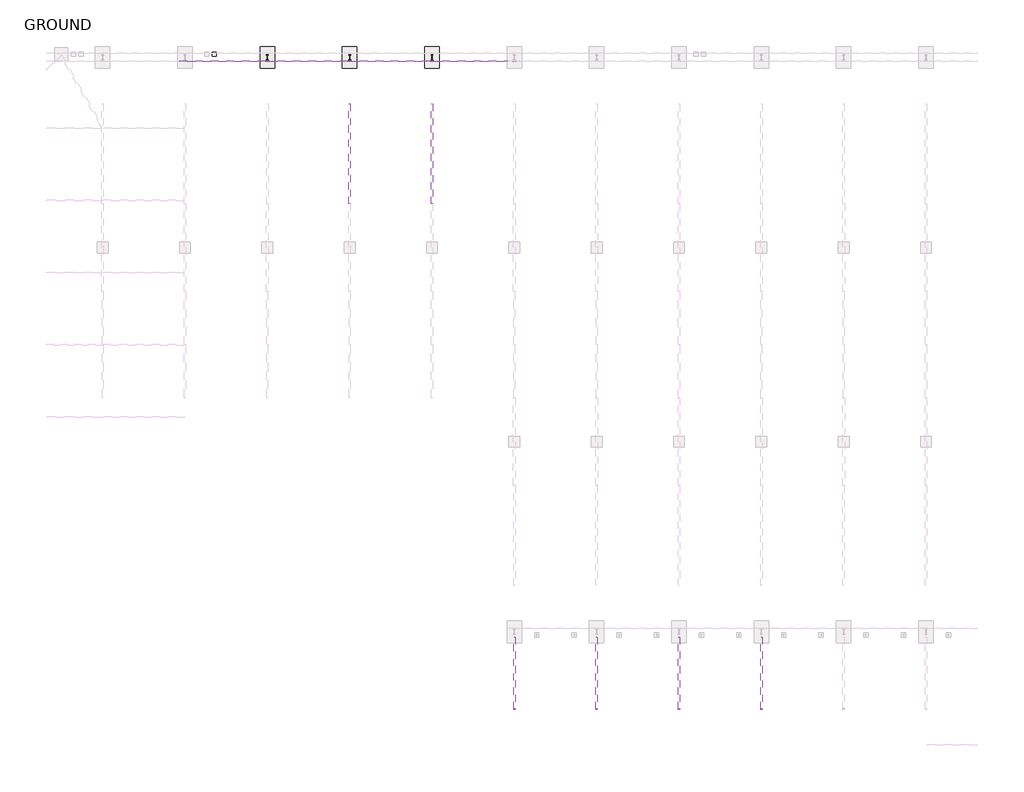
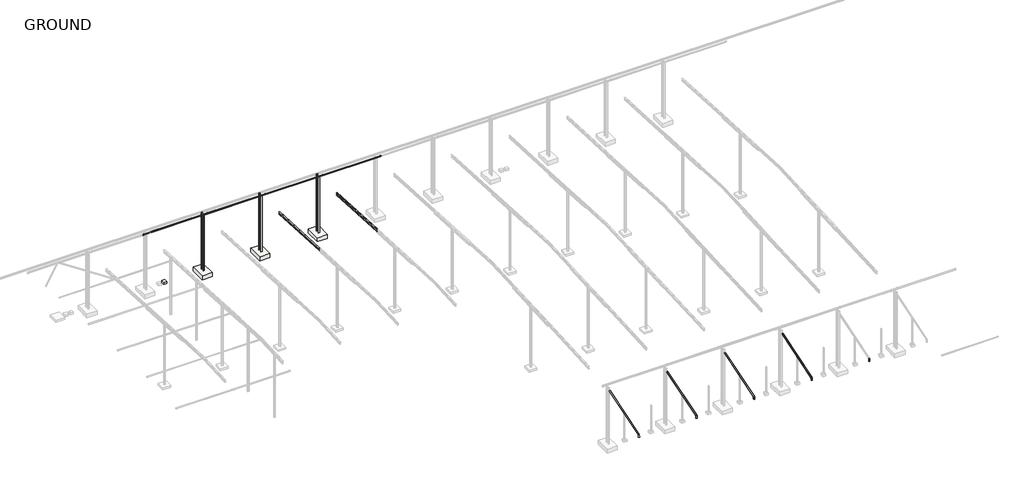
# One storey, part 45 of 56: 15 beams, 4 slabs, 3 columns.
"""IFC4 building model written with IfcOpenShell, lengths in millimetres."""

from ifc_helpers import new_model, si_unit, point, frame, frame_2d, origin, place, context, project, spatial, polyline, circle_curve, ellipse_curve, trimmed, segment, composite_curve, outline, extrude, element, save
from ifc_brep_helpers import plane_surface, cylinder_surface, revolved_surface, advanced_brep

model = new_model("IFC4")

# Units and contexts
model_context = context("Model", 3, world=origin())
ifc_project = project(units=[si_unit("LENGTHUNIT", "METRE", prefix="MILLI")], contexts=[model_context])

# Site, building, storey
site = spatial("IfcSite", under=ifc_project)
building = spatial("IfcBuilding", under=site)
storey = spatial("IfcBuildingStorey", under=building, Name="GROUND", Elevation=47100.0)

# Beams
placement = place(None, origin())
element("IfcBeam", 1, ObjectType="NRP_CHS-C350 : S3-219.1x4.8CHS", at=placement, inside=storey, context=model_context, shape_type="AdvancedBrep", body=[
    advanced_brep(
    [(-127335.8385398, 152915.5988651, 54476.8862012), (-127116.7385398, 152915.5988651, 54476.8862012), (-127121.5385398, 152915.5988651, 54476.8862012), (-127331.0385398, 152915.5988651, 54476.8862012), (-127116.7385398, 152941.7431014, 54975.7479475), (-127335.8385398, 152941.7431014, 54975.7479475), (-127331.0385398, 152941.7431014, 54975.7479475), (-127121.5385398, 152941.7431014, 54975.7479475)],
    [
        (0, 1, circle_curve(frame((-127226.2885398, 152915.5988651, 54476.8862012), z_axis=(0.0, -0.0523359562245365, -0.9986295347555386), x_axis=(1.0, 0.0, 0.0)), 109.55)),
        (1, 0, circle_curve(frame((-127226.2885398, 152915.5988651, 54476.8862012), z_axis=(0.0, -0.0523359562245365, -0.9986295347555386), x_axis=(1.0, 0.0, 0.0)), 109.55)),
        (2, 3, circle_curve(frame((-127226.2885398, 152915.5988651, 54476.8862012), z_axis=(0.0, 0.0523359562245365, 0.9986295347555386), x_axis=(1.0, 0.0, 0.0)), 104.75)),
        (3, 2, circle_curve(frame((-127226.2885398, 152915.5988651, 54476.8862012), z_axis=(0.0, 0.0523359562245365, 0.9986295347555386), x_axis=(1.0, 0.0, 0.0)), 104.75)),
        (4, 1),
        (0, 5),
        (5, 4, ellipse_curve(frame((-127226.2885398, 152941.7431014, 54975.7479475), z_axis=(0.0, -0.6124673197296547, -0.7904959090742805), x_axis=(0.0, -0.7904959090742806, 0.6124673197296544)), 133.3590394, 109.55)),
        (4, 5, ellipse_curve(frame((-127226.2885398, 152941.7431014, 54975.7479475), z_axis=(0.0, -0.6124673197296547, -0.7904959090742805), x_axis=(0.0, -0.7904959090742806, 0.6124673197296544)), 133.3590394, 109.55)),
        (6, 3),
        (2, 7),
        (7, 6, ellipse_curve(frame((-127226.2885398, 152941.7431014, 54975.7479475), z_axis=(0.0, 0.6124673197296547, 0.7904959090742805), x_axis=(0.0, 0.7904959090742806, -0.6124673197296544)), 127.5158319, 104.75)),
        (6, 7, ellipse_curve(frame((-127226.2885398, 152941.7431014, 54975.7479475), z_axis=(0.0, 0.6124673197296547, 0.7904959090742805), x_axis=(0.0, 0.7904959090742806, -0.6124673197296544)), 127.5158319, 104.75)),
    ],
    [
        plane_surface(frame((-127116.7385398, 152915.5988651, 54476.8862012), z_axis=(0.0, -0.05233595622454795, -0.998629534755538), x_axis=(0.0, 0.998629534755538, -0.05233595622454795))),
        cylinder_surface(frame((-127226.2885398, 152915.5988651, 54476.8862012), z_axis=(0.0, 0.0523359562245365, 0.9986295347555386), x_axis=(1.0, 0.0, 0.0)), 109.55),
        revolved_surface(polyline([(-127121.5385398, 152915.59886514224, 54476.88620119779), (-127121.5385398, 152945.5488017641, 55048.36503586935)]), (-127226.2885398, 152928.9110442, 54730.8977095), (0.0, -0.0523359562245365, -0.9986295347555386)),
        plane_surface(frame((-127226.2885398, 152836.3233263, 55057.4260009), z_axis=(0.0, 0.6124673197296547, 0.7904959090742805), x_axis=(1.0, 0.0, 0.0))),
    ],
    [
        (0, [[1, 2], [3, 4]]),
        (1, [[5, -1, 6, 7]]),
        (1, [[-6, -2, -5, 8]]),
        (2, [[9, -3, 10, 11]]),
        (2, [[-10, -4, -9, 12]]),
        (3, [[-8, -7], [-12, -11]]),
    ],
),
])
element("IfcBeam", 2, ObjectType="NRP_CHS-C350 : S3-219.1x4.8CHS", at=placement, inside=storey, context=model_context, shape_type="AdvancedBrep", body=[
    advanced_brep(
    [(-127116.7385398, 162797.5807081, 58076.429028), (-127116.7385398, 152941.7431014, 54975.7479475), (-127335.8385398, 152941.7431014, 54975.7479475), (-127335.8385398, 162797.5807081, 58076.429028), (-127331.0385398, 162797.5807081, 58076.429028), (-127331.0385398, 152941.7431014, 54975.7479475), (-127121.5385398, 152941.7431014, 54975.7479475), (-127121.5385398, 162797.5807081, 58076.429028)],
    [
        (0, 1),
        (1, 2, ellipse_curve(frame((-127226.2885398, 152941.7431014, 54975.7479475), z_axis=(0.0, 0.6124673197296547, 0.7904959090742805), x_axis=(0.0, 0.7904959090742801, -0.612467319729655)), 133.3590394, 109.55)),
        (2, 3),
        (3, 0, ellipse_curve(frame((-127226.2885398, 162797.5807081, 58076.429028), z_axis=(0.0, -0.9884095728960267, -0.15181079081374357), x_axis=(0.0, -0.1518107908137452, 0.9884095728960264)), 110.8346206, 109.55)),
        (2, 1, ellipse_curve(frame((-127226.2885398, 152941.7431014, 54975.7479475), z_axis=(0.0, 0.6124673197296547, 0.7904959090742805), x_axis=(0.0, 0.7904959090742801, -0.612467319729655)), 133.3590394, 109.55)),
        (0, 3, ellipse_curve(frame((-127226.2885398, 162797.5807081, 58076.429028), z_axis=(0.0, -0.9884095728960267, -0.15181079081374357), x_axis=(0.0, -0.1518107908137452, 0.9884095728960264)), 110.8346206, 109.55)),
        (4, 5),
        (5, 6, ellipse_curve(frame((-127226.2885398, 152941.7431014, 54975.7479475), z_axis=(0.0, -0.6124673197296547, -0.7904959090742805), x_axis=(0.0, -0.7904959090742801, 0.612467319729655)), 127.5158319, 104.75)),
        (6, 7),
        (7, 4, ellipse_curve(frame((-127226.2885398, 162797.5807081, 58076.429028), z_axis=(0.0, 0.9884095728960267, 0.15181079081374357), x_axis=(0.0, 0.1518107908137452, -0.9884095728960264)), 105.9783342, 104.75)),
        (6, 5, ellipse_curve(frame((-127226.2885398, 152941.7431014, 54975.7479475), z_axis=(0.0, -0.6124673197296547, -0.7904959090742805), x_axis=(0.0, -0.7904959090742801, 0.612467319729655)), 127.5158319, 104.75)),
        (4, 7, ellipse_curve(frame((-127226.2885398, 162797.5807081, 58076.429028), z_axis=(0.0, 0.9884095728960267, 0.15181079081374357), x_axis=(0.0, 0.1518107908137452, -0.9884095728960264)), 105.9783342, 104.75)),
    ],
    [
        cylinder_surface(frame((-127226.2885398, 152941.7785102, 54975.7590872), z_axis=(0.0, 0.9539069675784283, 0.3001024778393665), x_axis=(1.0, 0.0, 0.0)), 109.55),
        revolved_surface(polyline([(-127121.5385398, 152872.37809250652, 54953.92547239492), (-127121.5385398, 162812.92778793722, 58081.257273164934)]), (-127226.2885398, 157874.0595113, 56527.4719902), (0.0, -0.9539069675784283, -0.3001024778393665)),
        plane_surface(frame((-127226.2885398, 162780.7548167, 58185.979028), z_axis=(0.0, 0.9884095728960267, 0.15181079081374357), x_axis=(1.0, 0.0, 0.0))),
        plane_surface(frame((-127226.2885398, 152836.3233263, 55057.4260009), z_axis=(0.0, -0.6124673197296547, -0.7904959090742805), x_axis=(1.0, 0.0, 0.0))),
    ],
    [
        (0, [[1, 2, 3, 4]]),
        (0, [[-3, 5, -1, 6]]),
        (1, [[7, 8, 9, 10]]),
        (1, [[-9, 11, -7, 12]]),
        (2, [[-6, -4], [-12, -10]]),
        (3, [[-2, -5], [-8, -11]]),
    ],
),
])
element("IfcBeam", 3, ObjectType="NRP_CHS-C350 : S3-219.1x4.8CHS", at=placement, inside=storey, context=model_context, shape_type="AdvancedBrep", body=[
    advanced_brep(
    [(-116035.8385398, 152915.5988651, 54476.8862012), (-115816.7385398, 152915.5988651, 54476.8862012), (-115821.5385398, 152915.5988651, 54476.8862012), (-116031.0385398, 152915.5988651, 54476.8862012), (-115816.7385398, 152941.7431014, 54975.7479475), (-116035.8385398, 152941.7431014, 54975.7479475), (-116031.0385398, 152941.7431014, 54975.7479475), (-115821.5385398, 152941.7431014, 54975.7479475)],
    [
        (0, 1, circle_curve(frame((-115926.2885398, 152915.5988651, 54476.8862012), z_axis=(0.0, -0.0523359562245365, -0.9986295347555386), x_axis=(1.0, 0.0, 0.0)), 109.55)),
        (1, 0, circle_curve(frame((-115926.2885398, 152915.5988651, 54476.8862012), z_axis=(0.0, -0.0523359562245365, -0.9986295347555386), x_axis=(1.0, 0.0, 0.0)), 109.55)),
        (2, 3, circle_curve(frame((-115926.2885398, 152915.5988651, 54476.8862012), z_axis=(0.0, 0.0523359562245365, 0.9986295347555386), x_axis=(1.0, 0.0, 0.0)), 104.75)),
        (3, 2, circle_curve(frame((-115926.2885398, 152915.5988651, 54476.8862012), z_axis=(0.0, 0.0523359562245365, 0.9986295347555386), x_axis=(1.0, 0.0, 0.0)), 104.75)),
        (4, 1),
        (0, 5),
        (5, 4, ellipse_curve(frame((-115926.2885398, 152941.7431014, 54975.7479475), z_axis=(0.0, -0.6124673197296547, -0.7904959090742805), x_axis=(0.0, -0.7904959090742806, 0.6124673197296544)), 133.3590394, 109.55)),
        (4, 5, ellipse_curve(frame((-115926.2885398, 152941.7431014, 54975.7479475), z_axis=(0.0, -0.6124673197296547, -0.7904959090742805), x_axis=(0.0, -0.7904959090742806, 0.6124673197296544)), 133.3590394, 109.55)),
        (6, 3),
        (2, 7),
        (7, 6, ellipse_curve(frame((-115926.2885398, 152941.7431014, 54975.7479475), z_axis=(0.0, 0.6124673197296547, 0.7904959090742805), x_axis=(0.0, 0.7904959090742806, -0.6124673197296544)), 127.5158319, 104.75)),
        (6, 7, ellipse_curve(frame((-115926.2885398, 152941.7431014, 54975.7479475), z_axis=(0.0, 0.6124673197296547, 0.7904959090742805), x_axis=(0.0, 0.7904959090742806, -0.6124673197296544)), 127.5158319, 104.75)),
    ],
    [
        plane_surface(frame((-115816.7385398, 152915.5988651, 54476.8862012), z_axis=(0.0, -0.05233595622454795, -0.998629534755538), x_axis=(0.0, 0.998629534755538, -0.05233595622454795))),
        cylinder_surface(frame((-115926.2885398, 152915.5988651, 54476.8862012), z_axis=(0.0, 0.0523359562245365, 0.9986295347555386), x_axis=(1.0, 0.0, 0.0)), 109.55),
        revolved_surface(polyline([(-115821.5385398, 152915.59886514224, 54476.88620119779), (-115821.5385398, 152945.5488017641, 55048.36503586935)]), (-115926.2885398, 152928.9110442, 54730.8977095), (0.0, -0.0523359562245365, -0.9986295347555386)),
        plane_surface(frame((-115926.2885398, 152836.3233263, 55057.4260009), z_axis=(0.0, 0.6124673197296547, 0.7904959090742805), x_axis=(1.0, 0.0, 0.0))),
    ],
    [
        (0, [[1, 2], [3, 4]]),
        (1, [[5, -1, 6, 7]]),
        (1, [[-6, -2, -5, 8]]),
        (2, [[9, -3, 10, 11]]),
        (2, [[-10, -4, -9, 12]]),
        (3, [[-8, -7], [-12, -11]]),
    ],
),
])
element("IfcBeam", 4, ObjectType="NRP_CHS-C350 : S3-219.1x4.8CHS", at=placement, inside=storey, context=model_context, shape_type="AdvancedBrep", body=[
    advanced_brep(
    [(-115816.7385398, 162797.5807081, 58076.429028), (-115816.7385398, 152941.7431014, 54975.7479475), (-116035.8385398, 152941.7431014, 54975.7479475), (-116035.8385398, 162797.5807081, 58076.429028), (-116031.0385398, 162797.5807081, 58076.429028), (-116031.0385398, 152941.7431014, 54975.7479475), (-115821.5385398, 152941.7431014, 54975.7479475), (-115821.5385398, 162797.5807081, 58076.429028)],
    [
        (0, 1),
        (1, 2, ellipse_curve(frame((-115926.2885398, 152941.7431014, 54975.7479475), z_axis=(0.0, 0.6124673197296547, 0.7904959090742805), x_axis=(0.0, 0.7904959090742801, -0.612467319729655)), 133.3590394, 109.55)),
        (2, 3),
        (3, 0, ellipse_curve(frame((-115926.2885398, 162797.5807081, 58076.429028), z_axis=(0.0, -0.9884095728960267, -0.15181079081374357), x_axis=(0.0, -0.1518107908137452, 0.9884095728960264)), 110.8346206, 109.55)),
        (2, 1, ellipse_curve(frame((-115926.2885398, 152941.7431014, 54975.7479475), z_axis=(0.0, 0.6124673197296547, 0.7904959090742805), x_axis=(0.0, 0.7904959090742801, -0.612467319729655)), 133.3590394, 109.55)),
        (0, 3, ellipse_curve(frame((-115926.2885398, 162797.5807081, 58076.429028), z_axis=(0.0, -0.9884095728960267, -0.15181079081374357), x_axis=(0.0, -0.1518107908137452, 0.9884095728960264)), 110.8346206, 109.55)),
        (4, 5),
        (5, 6, ellipse_curve(frame((-115926.2885398, 152941.7431014, 54975.7479475), z_axis=(0.0, -0.6124673197296547, -0.7904959090742805), x_axis=(0.0, -0.7904959090742801, 0.612467319729655)), 127.5158319, 104.75)),
        (6, 7),
        (7, 4, ellipse_curve(frame((-115926.2885398, 162797.5807081, 58076.429028), z_axis=(0.0, 0.9884095728960267, 0.15181079081374357), x_axis=(0.0, 0.1518107908137452, -0.9884095728960264)), 105.9783342, 104.75)),
        (6, 5, ellipse_curve(frame((-115926.2885398, 152941.7431014, 54975.7479475), z_axis=(0.0, -0.6124673197296547, -0.7904959090742805), x_axis=(0.0, -0.7904959090742801, 0.612467319729655)), 127.5158319, 104.75)),
        (4, 7, ellipse_curve(frame((-115926.2885398, 162797.5807081, 58076.429028), z_axis=(0.0, 0.9884095728960267, 0.15181079081374357), x_axis=(0.0, 0.1518107908137452, -0.9884095728960264)), 105.9783342, 104.75)),
    ],
    [
        cylinder_surface(frame((-115926.2885398, 152941.7785102, 54975.7590872), z_axis=(0.0, 0.9539069675784283, 0.3001024778393665), x_axis=(1.0, 0.0, 0.0)), 109.55),
        revolved_surface(polyline([(-115821.5385398, 152872.37809250652, 54953.92547239492), (-115821.5385398, 162812.92778793722, 58081.257273164934)]), (-115926.2885398, 157874.0595113, 56527.4719902), (0.0, -0.9539069675784283, -0.3001024778393665)),
        plane_surface(frame((-115926.2885398, 162780.7548167, 58185.979028), z_axis=(0.0, 0.9884095728960267, 0.15181079081374357), x_axis=(1.0, 0.0, 0.0))),
        plane_surface(frame((-115926.2885398, 152836.3233263, 55057.4260009), z_axis=(0.0, -0.6124673197296547, -0.7904959090742805), x_axis=(1.0, 0.0, 0.0))),
    ],
    [
        (0, [[1, 2, 3, 4]]),
        (0, [[-3, 5, -1, 6]]),
        (1, [[7, 8, 9, 10]]),
        (1, [[-9, 11, -7, 12]]),
        (2, [[-6, -4], [-12, -10]]),
        (3, [[-2, -5], [-8, -11]]),
    ],
),
])
element("IfcBeam", 5, ObjectType="NRP_CHS-C350 : S3-219.1x4.8CHS", at=placement, inside=storey, context=model_context, shape_type="AdvancedBrep", body=[
    advanced_brep(
    [(-104735.8385398, 152915.5988651, 54476.8862012), (-104516.7385398, 152915.5988651, 54476.8862012), (-104521.5385398, 152915.5988651, 54476.8862012), (-104731.0385398, 152915.5988651, 54476.8862012), (-104516.7385398, 152941.7431014, 54975.7479475), (-104735.8385398, 152941.7431014, 54975.7479475), (-104731.0385398, 152941.7431014, 54975.7479475), (-104521.5385398, 152941.7431014, 54975.7479475)],
    [
        (0, 1, circle_curve(frame((-104626.2885398, 152915.5988651, 54476.8862012), z_axis=(0.0, -0.0523359562245365, -0.9986295347555386), x_axis=(1.0, 0.0, 0.0)), 109.55)),
        (1, 0, circle_curve(frame((-104626.2885398, 152915.5988651, 54476.8862012), z_axis=(0.0, -0.0523359562245365, -0.9986295347555386), x_axis=(1.0, 0.0, 0.0)), 109.55)),
        (2, 3, circle_curve(frame((-104626.2885398, 152915.5988651, 54476.8862012), z_axis=(0.0, 0.0523359562245365, 0.9986295347555386), x_axis=(1.0, 0.0, 0.0)), 104.75)),
        (3, 2, circle_curve(frame((-104626.2885398, 152915.5988651, 54476.8862012), z_axis=(0.0, 0.0523359562245365, 0.9986295347555386), x_axis=(1.0, 0.0, 0.0)), 104.75)),
        (4, 1),
        (0, 5),
        (5, 4, ellipse_curve(frame((-104626.2885398, 152941.7431014, 54975.7479475), z_axis=(0.0, -0.6124673197296547, -0.7904959090742805), x_axis=(0.0, -0.7904959090742806, 0.6124673197296544)), 133.3590394, 109.55)),
        (4, 5, ellipse_curve(frame((-104626.2885398, 152941.7431014, 54975.7479475), z_axis=(0.0, -0.6124673197296547, -0.7904959090742805), x_axis=(0.0, -0.7904959090742806, 0.6124673197296544)), 133.3590394, 109.55)),
        (6, 3),
        (2, 7),
        (7, 6, ellipse_curve(frame((-104626.2885398, 152941.7431014, 54975.7479475), z_axis=(0.0, 0.6124673197296547, 0.7904959090742805), x_axis=(0.0, 0.7904959090742806, -0.6124673197296544)), 127.5158319, 104.75)),
        (6, 7, ellipse_curve(frame((-104626.2885398, 152941.7431014, 54975.7479475), z_axis=(0.0, 0.6124673197296547, 0.7904959090742805), x_axis=(0.0, 0.7904959090742806, -0.6124673197296544)), 127.5158319, 104.75)),
    ],
    [
        plane_surface(frame((-104516.7385398, 152915.5988651, 54476.8862012), z_axis=(0.0, -0.05233595622454795, -0.998629534755538), x_axis=(0.0, 0.998629534755538, -0.05233595622454795))),
        cylinder_surface(frame((-104626.2885398, 152915.5988651, 54476.8862012), z_axis=(0.0, 0.0523359562245365, 0.9986295347555386), x_axis=(1.0, 0.0, 0.0)), 109.55),
        revolved_surface(polyline([(-104521.5385398, 152915.59886514224, 54476.88620119779), (-104521.5385398, 152945.5488017641, 55048.36503586935)]), (-104626.2885398, 152928.9110442, 54730.8977095), (0.0, -0.0523359562245365, -0.9986295347555386)),
        plane_surface(frame((-104626.2885398, 152836.3233263, 55057.4260009), z_axis=(0.0, 0.6124673197296547, 0.7904959090742805), x_axis=(1.0, 0.0, 0.0))),
    ],
    [
        (0, [[1, 2], [3, 4]]),
        (1, [[5, -1, 6, 7]]),
        (1, [[-6, -2, -5, 8]]),
        (2, [[9, -3, 10, 11]]),
        (2, [[-10, -4, -9, 12]]),
        (3, [[-8, -7], [-12, -11]]),
    ],
),
])
element("IfcBeam", 6, ObjectType="NRP_CHS-C350 : S3-219.1x4.8CHS", at=placement, inside=storey, context=model_context, shape_type="AdvancedBrep", body=[
    advanced_brep(
    [(-104516.7385398, 162797.5807081, 58076.429028), (-104516.7385398, 152941.7431014, 54975.7479475), (-104735.8385398, 152941.7431014, 54975.7479475), (-104735.8385398, 162797.5807081, 58076.429028), (-104731.0385398, 162797.5807081, 58076.429028), (-104731.0385398, 152941.7431014, 54975.7479475), (-104521.5385398, 152941.7431014, 54975.7479475), (-104521.5385398, 162797.5807081, 58076.429028)],
    [
        (0, 1),
        (1, 2, ellipse_curve(frame((-104626.2885398, 152941.7431014, 54975.7479475), z_axis=(0.0, 0.6124673197296547, 0.7904959090742805), x_axis=(0.0, 0.7904959090742801, -0.612467319729655)), 133.3590394, 109.55)),
        (2, 3),
        (3, 0, ellipse_curve(frame((-104626.2885398, 162797.5807081, 58076.429028), z_axis=(0.0, -0.9884095728960267, -0.15181079081374357), x_axis=(0.0, -0.1518107908137452, 0.9884095728960264)), 110.8346206, 109.55)),
        (2, 1, ellipse_curve(frame((-104626.2885398, 152941.7431014, 54975.7479475), z_axis=(0.0, 0.6124673197296547, 0.7904959090742805), x_axis=(0.0, 0.7904959090742801, -0.612467319729655)), 133.3590394, 109.55)),
        (0, 3, ellipse_curve(frame((-104626.2885398, 162797.5807081, 58076.429028), z_axis=(0.0, -0.9884095728960267, -0.15181079081374357), x_axis=(0.0, -0.1518107908137452, 0.9884095728960264)), 110.8346206, 109.55)),
        (4, 5),
        (5, 6, ellipse_curve(frame((-104626.2885398, 152941.7431014, 54975.7479475), z_axis=(0.0, -0.6124673197296547, -0.7904959090742805), x_axis=(0.0, -0.7904959090742801, 0.612467319729655)), 127.5158319, 104.75)),
        (6, 7),
        (7, 4, ellipse_curve(frame((-104626.2885398, 162797.5807081, 58076.429028), z_axis=(0.0, 0.9884095728960267, 0.15181079081374357), x_axis=(0.0, 0.1518107908137452, -0.9884095728960264)), 105.9783342, 104.75)),
        (6, 5, ellipse_curve(frame((-104626.2885398, 152941.7431014, 54975.7479475), z_axis=(0.0, -0.6124673197296547, -0.7904959090742805), x_axis=(0.0, -0.7904959090742801, 0.612467319729655)), 127.5158319, 104.75)),
        (4, 7, ellipse_curve(frame((-104626.2885398, 162797.5807081, 58076.429028), z_axis=(0.0, 0.9884095728960267, 0.15181079081374357), x_axis=(0.0, 0.1518107908137452, -0.9884095728960264)), 105.9783342, 104.75)),
    ],
    [
        cylinder_surface(frame((-104626.2885398, 152941.7785102, 54975.7590872), z_axis=(0.0, 0.9539069675784283, 0.3001024778393665), x_axis=(1.0, 0.0, 0.0)), 109.55),
        revolved_surface(polyline([(-104521.5385398, 152872.37809250652, 54953.92547239492), (-104521.5385398, 162812.92778793722, 58081.257273164934)]), (-104626.2885398, 157874.0595113, 56527.4719902), (0.0, -0.9539069675784283, -0.3001024778393665)),
        plane_surface(frame((-104626.2885398, 162780.7548167, 58185.979028), z_axis=(0.0, 0.9884095728960267, 0.15181079081374357), x_axis=(1.0, 0.0, 0.0))),
        plane_surface(frame((-104626.2885398, 152836.3233263, 55057.4260009), z_axis=(0.0, -0.6124673197296547, -0.7904959090742805), x_axis=(1.0, 0.0, 0.0))),
    ],
    [
        (0, [[1, 2, 3, 4]]),
        (0, [[-3, 5, -1, 6]]),
        (1, [[7, 8, 9, 10]]),
        (1, [[-9, 11, -7, 12]]),
        (2, [[-6, -4], [-12, -10]]),
        (3, [[-2, -5], [-8, -11]]),
    ],
),
])
element("IfcBeam", 7, ObjectType="NRP_CHS-C350 : S3-219.1x4.8CHS", at=placement, inside=storey, context=model_context, shape_type="AdvancedBrep", body=[
    advanced_brep(
    [(-93435.8385398, 152915.5988651, 54476.8862012), (-93216.7385398, 152915.5988651, 54476.8862012), (-93221.5385398, 152915.5988651, 54476.8862012), (-93431.0385398, 152915.5988651, 54476.8862012), (-93216.7385398, 152941.7431014, 54975.7479475), (-93435.8385398, 152941.7431014, 54975.7479475), (-93431.0385398, 152941.7431014, 54975.7479475), (-93221.5385398, 152941.7431014, 54975.7479475)],
    [
        (0, 1, circle_curve(frame((-93326.2885398, 152915.5988651, 54476.8862012), z_axis=(0.0, -0.0523359562245365, -0.9986295347555386), x_axis=(1.0, 0.0, 0.0)), 109.55)),
        (1, 0, circle_curve(frame((-93326.2885398, 152915.5988651, 54476.8862012), z_axis=(0.0, -0.0523359562245365, -0.9986295347555386), x_axis=(1.0, 0.0, 0.0)), 109.55)),
        (2, 3, circle_curve(frame((-93326.2885398, 152915.5988651, 54476.8862012), z_axis=(0.0, 0.0523359562245365, 0.9986295347555386), x_axis=(1.0, 0.0, 0.0)), 104.75)),
        (3, 2, circle_curve(frame((-93326.2885398, 152915.5988651, 54476.8862012), z_axis=(0.0, 0.0523359562245365, 0.9986295347555386), x_axis=(1.0, 0.0, 0.0)), 104.75)),
        (4, 1),
        (0, 5),
        (5, 4, ellipse_curve(frame((-93326.2885398, 152941.7431014, 54975.7479475), z_axis=(0.0, -0.6124673197296547, -0.7904959090742805), x_axis=(0.0, -0.7904959090742806, 0.6124673197296544)), 133.3590394, 109.55)),
        (4, 5, ellipse_curve(frame((-93326.2885398, 152941.7431014, 54975.7479475), z_axis=(0.0, -0.6124673197296547, -0.7904959090742805), x_axis=(0.0, -0.7904959090742806, 0.6124673197296544)), 133.3590394, 109.55)),
        (6, 3),
        (2, 7),
        (7, 6, ellipse_curve(frame((-93326.2885398, 152941.7431014, 54975.7479475), z_axis=(0.0, 0.6124673197296547, 0.7904959090742805), x_axis=(0.0, 0.7904959090742806, -0.6124673197296544)), 127.5158319, 104.75)),
        (6, 7, ellipse_curve(frame((-93326.2885398, 152941.7431014, 54975.7479475), z_axis=(0.0, 0.6124673197296547, 0.7904959090742805), x_axis=(0.0, 0.7904959090742806, -0.6124673197296544)), 127.5158319, 104.75)),
    ],
    [
        plane_surface(frame((-93216.7385398, 152915.5988651, 54476.8862012), z_axis=(0.0, -0.05233595622454795, -0.998629534755538), x_axis=(0.0, 0.998629534755538, -0.05233595622454795))),
        cylinder_surface(frame((-93326.2885398, 152915.5988651, 54476.8862012), z_axis=(0.0, 0.0523359562245365, 0.9986295347555386), x_axis=(1.0, 0.0, 0.0)), 109.55),
        revolved_surface(polyline([(-93221.5385398, 152915.59886514224, 54476.88620119779), (-93221.5385398, 152945.5488017641, 55048.36503586935)]), (-93326.2885398, 152928.9110442, 54730.8977095), (0.0, -0.0523359562245365, -0.9986295347555386)),
        plane_surface(frame((-93326.2885398, 152836.3233263, 55057.4260009), z_axis=(0.0, 0.6124673197296547, 0.7904959090742805), x_axis=(1.0, 0.0, 0.0))),
    ],
    [
        (0, [[1, 2], [3, 4]]),
        (1, [[5, -1, 6, 7]]),
        (1, [[-6, -2, -5, 8]]),
        (2, [[9, -3, 10, 11]]),
        (2, [[-10, -4, -9, 12]]),
        (3, [[-8, -7], [-12, -11]]),
    ],
),
])
element("IfcBeam", 8, ObjectType="NRP_CHS-C350 : S3-219.1x4.8CHS", at=placement, inside=storey, context=model_context, shape_type="AdvancedBrep", body=[
    advanced_brep(
    [(-93216.7385398, 162797.5807081, 58076.429028), (-93216.7385398, 152941.7431014, 54975.7479475), (-93435.8385398, 152941.7431014, 54975.7479475), (-93435.8385398, 162797.5807081, 58076.429028), (-93431.0385398, 162797.5807081, 58076.429028), (-93431.0385398, 152941.7431014, 54975.7479475), (-93221.5385398, 152941.7431014, 54975.7479475), (-93221.5385398, 162797.5807081, 58076.429028)],
    [
        (0, 1),
        (1, 2, ellipse_curve(frame((-93326.2885398, 152941.7431014, 54975.7479475), z_axis=(0.0, 0.6124673197296547, 0.7904959090742805), x_axis=(0.0, 0.7904959090742801, -0.612467319729655)), 133.3590394, 109.55)),
        (2, 3),
        (3, 0, ellipse_curve(frame((-93326.2885398, 162797.5807081, 58076.429028), z_axis=(0.0, -0.9884095728960267, -0.15181079081374357), x_axis=(0.0, -0.1518107908137452, 0.9884095728960264)), 110.8346206, 109.55)),
        (2, 1, ellipse_curve(frame((-93326.2885398, 152941.7431014, 54975.7479475), z_axis=(0.0, 0.6124673197296547, 0.7904959090742805), x_axis=(0.0, 0.7904959090742801, -0.612467319729655)), 133.3590394, 109.55)),
        (0, 3, ellipse_curve(frame((-93326.2885398, 162797.5807081, 58076.429028), z_axis=(0.0, -0.9884095728960267, -0.15181079081374357), x_axis=(0.0, -0.1518107908137452, 0.9884095728960264)), 110.8346206, 109.55)),
        (4, 5),
        (5, 6, ellipse_curve(frame((-93326.2885398, 152941.7431014, 54975.7479475), z_axis=(0.0, -0.6124673197296547, -0.7904959090742805), x_axis=(0.0, -0.7904959090742801, 0.612467319729655)), 127.5158319, 104.75)),
        (6, 7),
        (7, 4, ellipse_curve(frame((-93326.2885398, 162797.5807081, 58076.429028), z_axis=(0.0, 0.9884095728960267, 0.15181079081374357), x_axis=(0.0, 0.1518107908137452, -0.9884095728960264)), 105.9783342, 104.75)),
        (6, 5, ellipse_curve(frame((-93326.2885398, 152941.7431014, 54975.7479475), z_axis=(0.0, -0.6124673197296547, -0.7904959090742805), x_axis=(0.0, -0.7904959090742801, 0.612467319729655)), 127.5158319, 104.75)),
        (4, 7, ellipse_curve(frame((-93326.2885398, 162797.5807081, 58076.429028), z_axis=(0.0, 0.9884095728960267, 0.15181079081374357), x_axis=(0.0, 0.1518107908137452, -0.9884095728960264)), 105.9783342, 104.75)),
    ],
    [
        cylinder_surface(frame((-93326.2885398, 152941.7785102, 54975.7590872), z_axis=(0.0, 0.9539069675784283, 0.3001024778393665), x_axis=(1.0, 0.0, 0.0)), 109.55),
        revolved_surface(polyline([(-93221.5385398, 152872.37809250652, 54953.92547239492), (-93221.5385398, 162812.92778793722, 58081.257273164934)]), (-93326.2885398, 157874.0595113, 56527.4719902), (0.0, -0.9539069675784283, -0.3001024778393665)),
        plane_surface(frame((-93326.2885398, 162780.7548167, 58185.979028), z_axis=(0.0, 0.9884095728960267, 0.15181079081374357), x_axis=(1.0, 0.0, 0.0))),
        plane_surface(frame((-93326.2885398, 152836.3233263, 55057.4260009), z_axis=(0.0, -0.6124673197296547, -0.7904959090742805), x_axis=(1.0, 0.0, 0.0))),
    ],
    [
        (0, [[1, 2, 3, 4]]),
        (0, [[-3, 5, -1, 6]]),
        (1, [[7, 8, 9, 10]]),
        (1, [[-9, 11, -7, 12]]),
        (2, [[-6, -4], [-12, -10]]),
        (3, [[-2, -5], [-8, -11]]),
    ],
),
])
element("IfcBeam", 9, ObjectType="NRP_CHS-C350 : S3-219.1x4.8CHS", at=placement, inside=storey, context=model_context, shape_type="AdvancedBrep", body=[
    advanced_brep(
    [(-82135.8385398, 152915.5988651, 54476.8862012), (-81916.7385398, 152915.5988651, 54476.8862012), (-81921.5385398, 152915.5988651, 54476.8862012), (-82131.0385398, 152915.5988651, 54476.8862012), (-81916.7385398, 152941.7431014, 54975.7479475), (-82135.8385398, 152941.7431014, 54975.7479475), (-82131.0385398, 152941.7431014, 54975.7479475), (-81921.5385398, 152941.7431014, 54975.7479475)],
    [
        (0, 1, circle_curve(frame((-82026.2885398, 152915.5988651, 54476.8862012), z_axis=(0.0, -0.0523359562245365, -0.9986295347555386), x_axis=(1.0, 0.0, 0.0)), 109.55)),
        (1, 0, circle_curve(frame((-82026.2885398, 152915.5988651, 54476.8862012), z_axis=(0.0, -0.0523359562245365, -0.9986295347555386), x_axis=(1.0, 0.0, 0.0)), 109.55)),
        (2, 3, circle_curve(frame((-82026.2885398, 152915.5988651, 54476.8862012), z_axis=(0.0, 0.0523359562245365, 0.9986295347555386), x_axis=(1.0, 0.0, 0.0)), 104.75)),
        (3, 2, circle_curve(frame((-82026.2885398, 152915.5988651, 54476.8862012), z_axis=(0.0, 0.0523359562245365, 0.9986295347555386), x_axis=(1.0, 0.0, 0.0)), 104.75)),
        (4, 1),
        (0, 5),
        (5, 4, ellipse_curve(frame((-82026.2885398, 152941.7431014, 54975.7479475), z_axis=(0.0, -0.6124673197296547, -0.7904959090742805), x_axis=(0.0, -0.7904959090742806, 0.6124673197296544)), 133.3590394, 109.55)),
        (4, 5, ellipse_curve(frame((-82026.2885398, 152941.7431014, 54975.7479475), z_axis=(0.0, -0.6124673197296547, -0.7904959090742805), x_axis=(0.0, -0.7904959090742806, 0.6124673197296544)), 133.3590394, 109.55)),
        (6, 3),
        (2, 7),
        (7, 6, ellipse_curve(frame((-82026.2885398, 152941.7431014, 54975.7479475), z_axis=(0.0, 0.6124673197296547, 0.7904959090742805), x_axis=(0.0, 0.7904959090742806, -0.6124673197296544)), 127.5158319, 104.75)),
        (6, 7, ellipse_curve(frame((-82026.2885398, 152941.7431014, 54975.7479475), z_axis=(0.0, 0.6124673197296547, 0.7904959090742805), x_axis=(0.0, 0.7904959090742806, -0.6124673197296544)), 127.5158319, 104.75)),
    ],
    [
        plane_surface(frame((-81916.7385398, 152915.5988651, 54476.8862012), z_axis=(0.0, -0.05233595622454795, -0.998629534755538), x_axis=(0.0, 0.998629534755538, -0.05233595622454795))),
        cylinder_surface(frame((-82026.2885398, 152915.5988651, 54476.8862012), z_axis=(0.0, 0.0523359562245365, 0.9986295347555386), x_axis=(1.0, 0.0, 0.0)), 109.55),
        revolved_surface(polyline([(-81921.5385398, 152915.59886514224, 54476.88620119779), (-81921.5385398, 152945.5488017641, 55048.36503586935)]), (-82026.2885398, 152928.9110442, 54730.8977095), (0.0, -0.0523359562245365, -0.9986295347555386)),
        plane_surface(frame((-82026.2885398, 152836.3233263, 55057.4260009), z_axis=(0.0, 0.6124673197296547, 0.7904959090742805), x_axis=(1.0, 0.0, 0.0))),
    ],
    [
        (0, [[1, 2], [3, 4]]),
        (1, [[5, -1, 6, 7]]),
        (1, [[-6, -2, -5, 8]]),
        (2, [[9, -3, 10, 11]]),
        (2, [[-10, -4, -9, 12]]),
        (3, [[-8, -7], [-12, -11]]),
    ],
),
])
element("IfcBeam", 10, ObjectType="P2-Z25019", at=placement, inside=storey, context=model_context, shape_type="SweptSolid", body=[
    extrude(outline(composite_curve([segment(polyline([(241908.8594696, 58509.8380858), (241921.744582, 58755.7006773)]), True, "CONTINUOUS"), segment(trimmed(circle_curve(frame_2d((241919.747323, 58755.8053492)), 2.0), [point((241921.744582, 58755.7006773))], [point((241919.8519949, 58757.8026083))], True, "CARTESIAN"), True, "CONTINUOUS"), segment(polyline([(241919.8519949, 58757.8026083), (241860.8329894, 58760.8956633)]), True, "CONTINUOUS"), segment(trimmed(circle_curve(frame_2d((241860.7283175, 58758.8984042)), 2.0), [point((241860.8329894, 58760.8956633))], [point((241858.7310584, 58759.0030761))], True, "CARTESIAN"), True, "CONTINUOUS"), segment(polyline([(241858.7310584, 58759.0030761), (241857.8361135, 58741.9265111), (241855.9387174, 58742.0259494), (241856.8336623, 58759.1025144)]), True, "CONTINUOUS"), segment(trimmed(circle_curve(frame_2d((241860.7283175, 58758.8984042)), 3.9), [point((241856.8336623, 58759.1025144))], [point((241860.9324277, 58762.7930594))], False, "CARTESIAN"), True, "CONTINUOUS"), segment(polyline([(241860.9324277, 58762.7930594), (241919.9514332, 58759.7000044)]), True, "CONTINUOUS"), segment(trimmed(circle_curve(frame_2d((241919.747323, 58755.8053492)), 3.9), [point((241919.9514332, 58759.7000044))], [point((241923.6419781, 58755.601239))], False, "CARTESIAN"), True, "CONTINUOUS"), segment(polyline([(241923.6419781, 58755.601239), (241910.7568657, 58509.7386475)]), True, "CONTINUOUS"), segment(trimmed(circle_curve(frame_2d((241912.7541248, 58509.6339756)), 2.0), [point((241910.7568657, 58509.7386475))], [point((241912.6494529, 58507.6367165))], True, "CARTESIAN"), True, "CONTINUOUS"), segment(polyline([(241912.6494529, 58507.6367165), (241983.252561, 58503.9365644)]), True, "CONTINUOUS"), segment(trimmed(circle_curve(frame_2d((241983.3572329, 58505.9338235)), 2.0), [point((241983.252561, 58503.9365644))], [point((241985.354492, 58505.8291516))], True, "CARTESIAN"), True, "CONTINUOUS"), segment(polyline([(241985.354492, 58505.8291516), (241986.2494368, 58522.9057166), (241988.1468329, 58522.8062783), (241987.2518881, 58505.7297133)]), True, "CONTINUOUS"), segment(trimmed(circle_curve(frame_2d((241983.3572329, 58505.9338235)), 3.9), [point((241987.2518881, 58505.7297133))], [point((241983.1531227, 58502.0391683))], False, "CARTESIAN"), True, "CONTINUOUS"), segment(polyline([(241983.1531227, 58502.0391683), (241912.5500146, 58505.7393204)]), True, "CONTINUOUS"), segment(trimmed(circle_curve(frame_2d((241912.7541248, 58509.6339756)), 3.9), [point((241912.5500146, 58505.7393204))], [point((241908.8594696, 58509.8380858))], False, "CARTESIAN"), True, "CONTINUOUS")], self_intersect=False)), frame((-139276.2885398, 0.0, 0.0), z_axis=(1.0, 0.0, 0.0), x_axis=(0.0, 1.0, 0.0)), (0.0, 0.0, 1.0), 12800.0),
])
element("IfcBeam", 11, ObjectType="P2-Z25019", at=placement, inside=storey, context=model_context, shape_type="SweptSolid", body=[
    extrude(outline(composite_curve([segment(polyline([(241908.8594696, 58509.8380858), (241921.744582, 58755.7006773)]), True, "CONTINUOUS"), segment(trimmed(circle_curve(frame_2d((241919.747323, 58755.8053492)), 2.0), [point((241921.744582, 58755.7006773))], [point((241919.8519949, 58757.8026083))], True, "CARTESIAN"), True, "CONTINUOUS"), segment(polyline([(241919.8519949, 58757.8026083), (241860.8329894, 58760.8956633)]), True, "CONTINUOUS"), segment(trimmed(circle_curve(frame_2d((241860.7283175, 58758.8984042)), 2.0), [point((241860.8329894, 58760.8956633))], [point((241858.7310584, 58759.0030761))], True, "CARTESIAN"), True, "CONTINUOUS"), segment(polyline([(241858.7310584, 58759.0030761), (241857.8361135, 58741.9265111), (241855.9387174, 58742.0259494), (241856.8336623, 58759.1025144)]), True, "CONTINUOUS"), segment(trimmed(circle_curve(frame_2d((241860.7283175, 58758.8984042)), 3.9), [point((241856.8336623, 58759.1025144))], [point((241860.9324277, 58762.7930594))], False, "CARTESIAN"), True, "CONTINUOUS"), segment(polyline([(241860.9324277, 58762.7930594), (241919.9514332, 58759.7000044)]), True, "CONTINUOUS"), segment(trimmed(circle_curve(frame_2d((241919.747323, 58755.8053492)), 3.9), [point((241919.9514332, 58759.7000044))], [point((241923.6419781, 58755.601239))], False, "CARTESIAN"), True, "CONTINUOUS"), segment(polyline([(241923.6419781, 58755.601239), (241910.7568657, 58509.7386475)]), True, "CONTINUOUS"), segment(trimmed(circle_curve(frame_2d((241912.7541248, 58509.6339756)), 2.0), [point((241910.7568657, 58509.7386475))], [point((241912.6494529, 58507.6367165))], True, "CARTESIAN"), True, "CONTINUOUS"), segment(polyline([(241912.6494529, 58507.6367165), (241983.252561, 58503.9365644)]), True, "CONTINUOUS"), segment(trimmed(circle_curve(frame_2d((241983.3572329, 58505.9338235)), 2.0), [point((241983.252561, 58503.9365644))], [point((241985.354492, 58505.8291516))], True, "CARTESIAN"), True, "CONTINUOUS"), segment(polyline([(241985.354492, 58505.8291516), (241986.2494368, 58522.9057166), (241988.1468329, 58522.8062783), (241987.2518881, 58505.7297133)]), True, "CONTINUOUS"), segment(trimmed(circle_curve(frame_2d((241983.3572329, 58505.9338235)), 3.9), [point((241987.2518881, 58505.7297133))], [point((241983.1531227, 58502.0391683))], False, "CARTESIAN"), True, "CONTINUOUS"), segment(polyline([(241983.1531227, 58502.0391683), (241912.5500146, 58505.7393204)]), True, "CONTINUOUS"), segment(trimmed(circle_curve(frame_2d((241912.7541248, 58509.6339756)), 3.9), [point((241912.5500146, 58505.7393204))], [point((241908.8594696, 58509.8380858))], False, "CARTESIAN"), True, "CONTINUOUS")], self_intersect=False)), frame((-150576.2885398, 0.0, 0.0), z_axis=(1.0, 0.0, 0.0), x_axis=(0.0, 1.0, 0.0)), (0.0, 0.0, 1.0), 12800.0),
])
element("IfcBeam", 12, ObjectType="P2-Z25019", at=placement, inside=storey, context=model_context, shape_type="SweptSolid", body=[
    extrude(outline(composite_curve([segment(polyline([(241908.8594696, 58509.8380858), (241921.744582, 58755.7006773)]), True, "CONTINUOUS"), segment(trimmed(circle_curve(frame_2d((241919.747323, 58755.8053492)), 2.0), [point((241921.744582, 58755.7006773))], [point((241919.8519949, 58757.8026083))], True, "CARTESIAN"), True, "CONTINUOUS"), segment(polyline([(241919.8519949, 58757.8026083), (241860.8329894, 58760.8956633)]), True, "CONTINUOUS"), segment(trimmed(circle_curve(frame_2d((241860.7283175, 58758.8984042)), 2.0), [point((241860.8329894, 58760.8956633))], [point((241858.7310584, 58759.0030761))], True, "CARTESIAN"), True, "CONTINUOUS"), segment(polyline([(241858.7310584, 58759.0030761), (241857.8361135, 58741.9265111), (241855.9387174, 58742.0259494), (241856.8336623, 58759.1025144)]), True, "CONTINUOUS"), segment(trimmed(circle_curve(frame_2d((241860.7283175, 58758.8984042)), 3.9), [point((241856.8336623, 58759.1025144))], [point((241860.9324277, 58762.7930594))], False, "CARTESIAN"), True, "CONTINUOUS"), segment(polyline([(241860.9324277, 58762.7930594), (241919.9514332, 58759.7000044)]), True, "CONTINUOUS"), segment(trimmed(circle_curve(frame_2d((241919.747323, 58755.8053492)), 3.9), [point((241919.9514332, 58759.7000044))], [point((241923.6419781, 58755.601239))], False, "CARTESIAN"), True, "CONTINUOUS"), segment(polyline([(241923.6419781, 58755.601239), (241910.7568657, 58509.7386475)]), True, "CONTINUOUS"), segment(trimmed(circle_curve(frame_2d((241912.7541248, 58509.6339756)), 2.0), [point((241910.7568657, 58509.7386475))], [point((241912.6494529, 58507.6367165))], True, "CARTESIAN"), True, "CONTINUOUS"), segment(polyline([(241912.6494529, 58507.6367165), (241983.252561, 58503.9365644)]), True, "CONTINUOUS"), segment(trimmed(circle_curve(frame_2d((241983.3572329, 58505.9338235)), 2.0), [point((241983.252561, 58503.9365644))], [point((241985.354492, 58505.8291516))], True, "CARTESIAN"), True, "CONTINUOUS"), segment(polyline([(241985.354492, 58505.8291516), (241986.2494368, 58522.9057166), (241988.1468329, 58522.8062783), (241987.2518881, 58505.7297133)]), True, "CONTINUOUS"), segment(trimmed(circle_curve(frame_2d((241983.3572329, 58505.9338235)), 3.9), [point((241987.2518881, 58505.7297133))], [point((241983.1531227, 58502.0391683))], False, "CARTESIAN"), True, "CONTINUOUS"), segment(polyline([(241983.1531227, 58502.0391683), (241912.5500146, 58505.7393204)]), True, "CONTINUOUS"), segment(trimmed(circle_curve(frame_2d((241912.7541248, 58509.6339756)), 3.9), [point((241912.5500146, 58505.7393204))], [point((241908.8594696, 58509.8380858))], False, "CARTESIAN"), True, "CONTINUOUS")], self_intersect=False)), frame((-161876.2885398, 0.0, 0.0), z_axis=(1.0, 0.0, 0.0), x_axis=(0.0, 1.0, 0.0)), (0.0, 0.0, 1.0), 12800.0),
])
element("IfcBeam", 13, ObjectType="P2-Z25019", at=placement, inside=storey, context=model_context, shape_type="SweptSolid", body=[
    extrude(outline(composite_curve([segment(polyline([(241908.8594696, 58509.8380858), (241921.744582, 58755.7006773)]), True, "CONTINUOUS"), segment(trimmed(circle_curve(frame_2d((241919.747323, 58755.8053492)), 2.0), [point((241921.744582, 58755.7006773))], [point((241919.8519949, 58757.8026083))], True, "CARTESIAN"), True, "CONTINUOUS"), segment(polyline([(241919.8519949, 58757.8026083), (241860.8329894, 58760.8956633)]), True, "CONTINUOUS"), segment(trimmed(circle_curve(frame_2d((241860.7283175, 58758.8984042)), 2.0), [point((241860.8329894, 58760.8956633))], [point((241858.7310584, 58759.0030761))], True, "CARTESIAN"), True, "CONTINUOUS"), segment(polyline([(241858.7310584, 58759.0030761), (241857.8361135, 58741.9265111), (241855.9387174, 58742.0259494), (241856.8336623, 58759.1025144)]), True, "CONTINUOUS"), segment(trimmed(circle_curve(frame_2d((241860.7283175, 58758.8984042)), 3.9), [point((241856.8336623, 58759.1025144))], [point((241860.9324277, 58762.7930594))], False, "CARTESIAN"), True, "CONTINUOUS"), segment(polyline([(241860.9324277, 58762.7930594), (241919.9514332, 58759.7000044)]), True, "CONTINUOUS"), segment(trimmed(circle_curve(frame_2d((241919.747323, 58755.8053492)), 3.9), [point((241919.9514332, 58759.7000044))], [point((241923.6419781, 58755.601239))], False, "CARTESIAN"), True, "CONTINUOUS"), segment(polyline([(241923.6419781, 58755.601239), (241910.7568657, 58509.7386475)]), True, "CONTINUOUS"), segment(trimmed(circle_curve(frame_2d((241912.7541248, 58509.6339756)), 2.0), [point((241910.7568657, 58509.7386475))], [point((241912.6494529, 58507.6367165))], True, "CARTESIAN"), True, "CONTINUOUS"), segment(polyline([(241912.6494529, 58507.6367165), (241983.252561, 58503.9365644)]), True, "CONTINUOUS"), segment(trimmed(circle_curve(frame_2d((241983.3572329, 58505.9338235)), 2.0), [point((241983.252561, 58503.9365644))], [point((241985.354492, 58505.8291516))], True, "CARTESIAN"), True, "CONTINUOUS"), segment(polyline([(241985.354492, 58505.8291516), (241986.2494368, 58522.9057166), (241988.1468329, 58522.8062783), (241987.2518881, 58505.7297133)]), True, "CONTINUOUS"), segment(trimmed(circle_curve(frame_2d((241983.3572329, 58505.9338235)), 3.9), [point((241987.2518881, 58505.7297133))], [point((241983.1531227, 58502.0391683))], False, "CARTESIAN"), True, "CONTINUOUS"), segment(polyline([(241983.1531227, 58502.0391683), (241912.5500146, 58505.7393204)]), True, "CONTINUOUS"), segment(trimmed(circle_curve(frame_2d((241912.7541248, 58509.6339756)), 3.9), [point((241912.5500146, 58505.7393204))], [point((241908.8594696, 58509.8380858))], False, "CARTESIAN"), True, "CONTINUOUS")], self_intersect=False)), frame((-173176.2885398, 0.0, 0.0), z_axis=(1.0, 0.0, 0.0), x_axis=(0.0, 1.0, 0.0)), (0.0, 0.0, 1.0), 12800.0),
])
element("IfcBeam", 14, ObjectType="R9-460UB67.1", at=placement, inside=storey, context=model_context, shape_type="SweptSolid", body=[
    extrude(outline(composite_curve([segment(polyline([(-214.2000001, 95.0), (-214.2000001, 15.65)]), True, "CONTINUOUS"), segment(trimmed(circle_curve(frame_2d((-202.8000001, 15.65)), 11.4), [point((-214.2000001, 15.65))], [point((-202.8000001, 4.25))], True, "CARTESIAN"), True, "CONTINUOUS"), segment(polyline([(-202.8000001, 4.25), (202.8, 4.25)]), True, "CONTINUOUS"), segment(trimmed(circle_curve(frame_2d((202.8, 15.65)), 11.4), [point((202.8, 4.25))], [point((214.2, 15.65))], True, "CARTESIAN"), True, "CONTINUOUS"), segment(polyline([(214.2, 15.65), (214.2, 95.0), (226.9, 95.0), (226.9, -95.0), (214.2, -95.0), (214.2, -15.65)]), True, "CONTINUOUS"), segment(trimmed(circle_curve(frame_2d((202.8, -15.65)), 11.4), [point((214.2, -15.65))], [point((202.8, -4.25))], True, "CARTESIAN"), True, "CONTINUOUS"), segment(polyline([(202.8, -4.25), (-202.8000001, -4.25)]), True, "CONTINUOUS"), segment(trimmed(circle_curve(frame_2d((-202.8000001, -15.65)), 11.4), [point((-202.8000001, -4.25))], [point((-214.2000001, -15.65))], True, "CARTESIAN"), True, "CONTINUOUS"), segment(polyline([(-214.2000001, -15.65), (-214.2000001, -95.0), (-226.9000001, -95.0), (-226.9000001, 95.0), (-214.2000001, 95.0)]), True, "CONTINUOUS")], self_intersect=False)), frame((-149826.2885398, 236026.1261122, 58577.0295265), z_axis=(0.0, -0.9986295347545777, 0.05233595624287089), x_axis=(0.0, 0.05233595624287089, 0.9986295347545777)), (0.0, 0.0, 1.0), 13723.0),
])
element("IfcBeam", 15, ObjectType="R9-460UB67.1", at=placement, inside=storey, context=model_context, shape_type="SweptSolid", body=[
    extrude(outline(composite_curve([segment(polyline([(-214.2000001, 95.0), (-214.2000001, 15.65)]), True, "CONTINUOUS"), segment(trimmed(circle_curve(frame_2d((-202.8000001, 15.65)), 11.4), [point((-214.2000001, 15.65))], [point((-202.8000001, 4.25))], True, "CARTESIAN"), True, "CONTINUOUS"), segment(polyline([(-202.8000001, 4.25), (202.8, 4.25)]), True, "CONTINUOUS"), segment(trimmed(circle_curve(frame_2d((202.8, 15.65)), 11.4), [point((202.8, 4.25))], [point((214.2, 15.65))], True, "CARTESIAN"), True, "CONTINUOUS"), segment(polyline([(214.2, 15.65), (214.2, 95.0), (226.9, 95.0), (226.9, -95.0), (214.2, -95.0), (214.2, -15.65)]), True, "CONTINUOUS"), segment(trimmed(circle_curve(frame_2d((202.8, -15.65)), 11.4), [point((214.2, -15.65))], [point((202.8, -4.25))], True, "CARTESIAN"), True, "CONTINUOUS"), segment(polyline([(202.8, -4.25), (-202.8000001, -4.25)]), True, "CONTINUOUS"), segment(trimmed(circle_curve(frame_2d((-202.8000001, -15.65)), 11.4), [point((-202.8000001, -4.25))], [point((-214.2000001, -15.65))], True, "CARTESIAN"), True, "CONTINUOUS"), segment(polyline([(-214.2000001, -15.65), (-214.2000001, -95.0), (-226.9000001, -95.0), (-226.9000001, 95.0), (-214.2000001, 95.0)]), True, "CONTINUOUS")], self_intersect=False)), frame((-138526.2885398, 236026.1261122, 58577.0295265), z_axis=(0.0, -0.9986295347545777, 0.05233595624287089), x_axis=(0.0, 0.05233595624287089, 0.9986295347545777)), (0.0, 0.0, 1.0), 13723.0),
])

# Columns
element("IfcColumn", 16, ObjectType="SC3-700WB130", at=placement, inside=storey, context=model_context, shape_type="SweptSolid", body=[
    extrude(outline(polyline([(-161001.2885398, 242770.0), (-161001.2885398, 242750.0), (-161121.2885398, 242750.0), (-161121.2885398, 242090.0), (-161001.2885398, 242090.0), (-161001.2885398, 242070.0), (-161251.2885398, 242070.0), (-161251.2885398, 242090.0), (-161131.2885398, 242090.0), (-161131.2885398, 242750.0), (-161251.2885398, 242750.0), (-161251.2885398, 242770.0), (-161001.2885398, 242770.0)])), frame((0.0, 0.0, 46800.0), z_axis=(0.0, 0.0, 1.0), x_axis=(1.0, 0.0, 0.0)), (0.0, 0.0, 1.0), 11787.494903),
])
element("IfcColumn", 17, ObjectType="SC3-700WB130", at=placement, inside=storey, context=model_context, shape_type="SweptSolid", body=[
    extrude(outline(polyline([(-149701.2885398, 242770.0), (-149701.2885398, 242750.0), (-149821.2885398, 242750.0), (-149821.2885398, 242090.0), (-149701.2885398, 242090.0), (-149701.2885398, 242070.0), (-149951.2885398, 242070.0), (-149951.2885398, 242090.0), (-149831.2885398, 242090.0), (-149831.2885398, 242750.0), (-149951.2885398, 242750.0), (-149951.2885398, 242770.0), (-149701.2885398, 242770.0)])), frame((0.0, 0.0, 46800.0), z_axis=(0.0, 0.0, 1.0), x_axis=(1.0, 0.0, 0.0)), (0.0, 0.0, 1.0), 11787.494903),
])
element("IfcColumn", 18, ObjectType="SC3-700WB130", at=placement, inside=storey, context=model_context, shape_type="SweptSolid", body=[
    extrude(outline(polyline([(-138401.2885398, 242770.0), (-138401.2885398, 242750.0), (-138521.2885398, 242750.0), (-138521.2885398, 242090.0), (-138401.2885398, 242090.0), (-138401.2885398, 242070.0), (-138651.2885398, 242070.0), (-138651.2885398, 242090.0), (-138531.2885398, 242090.0), (-138531.2885398, 242750.0), (-138651.2885398, 242750.0), (-138651.2885398, 242770.0), (-138401.2885398, 242770.0)])), frame((0.0, 0.0, 46800.0), z_axis=(0.0, 0.0, 1.0), x_axis=(1.0, 0.0, 0.0)), (0.0, 0.0, 1.0), 11787.494903),
])

# Slabs
element("IfcSlab", 19, ObjectType="NRP_Foundation-Pad Footing BN : PF2 - 3000 x 2000 x 800 Deep", at=placement, inside=storey, context=model_context, shape_type="SweptSolid", body=[
    extrude(outline(polyline([(-162126.2885398, 243920.0), (-160126.2885398, 243920.0), (-160126.2885398, 240920.0), (-162126.2885398, 240920.0), (-162126.2885398, 243920.0)])), frame((0.0, 0.0, 46000.0), z_axis=(0.0, 0.0, 1.0), x_axis=(1.0, 0.0, 0.0)), (0.0, 0.0, 1.0), 800.0),
])
element("IfcSlab", 20, ObjectType="NRP_Foundation-Pad Footing BN : PF2 - 3000 x 2000 x 800 Deep", at=placement, inside=storey, context=model_context, shape_type="SweptSolid", body=[
    extrude(outline(polyline([(-150826.2885398, 243920.0), (-148826.2885398, 243920.0), (-148826.2885398, 240920.0), (-150826.2885398, 240920.0), (-150826.2885398, 243920.0)])), frame((0.0, 0.0, 46000.0), z_axis=(0.0, 0.0, 1.0), x_axis=(1.0, 0.0, 0.0)), (0.0, 0.0, 1.0), 800.0),
])
element("IfcSlab", 21, ObjectType="NRP_Foundation-Pad Footing BN : PF2 - 3000 x 2000 x 800 Deep", at=placement, inside=storey, context=model_context, shape_type="SweptSolid", body=[
    extrude(outline(polyline([(-139526.2885398, 243920.0), (-137526.2885398, 243920.0), (-137526.2885398, 240920.0), (-139526.2885398, 240920.0), (-139526.2885398, 243920.0)])), frame((0.0, 0.0, 46000.0), z_axis=(0.0, 0.0, 1.0), x_axis=(1.0, 0.0, 0.0)), (0.0, 0.0, 1.0), 800.0),
])
element("IfcSlab", 22, ObjectType="NRP_Foundation-Pad Footing BN : PF8 - 600 x 600 x 400 Deep", at=placement, inside=storey, context=model_context, shape_type="SweptSolid", body=[
    extrude(outline(polyline([(-168116.5907618, 243160.0), (-168116.5907618, 242560.0), (-168716.5907618, 242560.0), (-168716.5907618, 243160.0), (-168116.5907618, 243160.0)])), frame((0.0, 0.0, 46400.0), z_axis=(0.0, 0.0, 1.0), x_axis=(1.0, 0.0, 0.0)), (0.0, 0.0, 1.0), 400.0),
])

save(model, "model.ifc")
